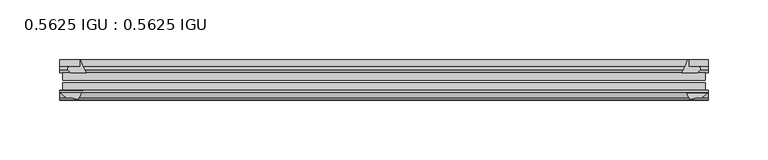
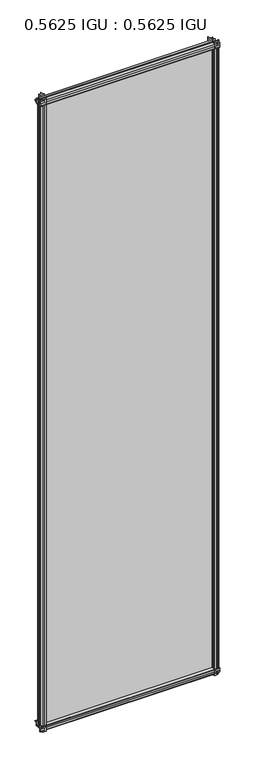
"""IFC4 building model written with IfcOpenShell, lengths in millimetres: plate geometry, 0.5625 IGU : 0.5625 IGU."""

from ifc_helpers import new_model, si_unit, point, frame, frame_2d, origin, place, context, project, spatial, polyline, circle_curve, trimmed, segment, composite_curve, outline, extrude, source, transform, mapped, element, save


def plate_0_5625_igu_0_5625_igu_2c83b73b(model_context):
    return source(origin(), model_context, "Body", "SweptSolid", [
        extrude(outline(composite_curve([segment(trimmed(circle_curve(frame_2d((-37.8345654, 15.3636795)), 15.5602222), [point((-35.093275, 0.0468313))], [point((-27.955875, 3.3415337))], True, "CARTESIAN"), True, "CONTINUOUS"), segment(polyline([(-27.955875, 3.3415337), (-27.955875, -17.9974199)]), True, "CONTINUOUS"), segment(trimmed(circle_curve(frame_2d((-28.971875, -17.9974199)), 1.016), [point((-27.955875, -17.9974199))], [point((-29.7387172, -18.6639099))], False, "CARTESIAN"), True, "CONTINUOUS"), segment(polyline([(-29.7387172, -18.6639099), (-34.305875, -13.4090837), (-34.305875, -7.4052024), (-35.880675, -1.5279687), (-34.305875, -1.5279687), (-34.305875, -0.7405687)]), True, "CONTINUOUS"), segment(trimmed(circle_curve(frame_2d((-35.093275, -0.7405687)), 0.7874), [point((-34.305875, -0.7405687))], [point((-35.093275, 0.0468313))], True, "CARTESIAN"), True, "CONTINUOUS")], self_intersect=False)), frame((-272.2610856, 0.0, 0.0), z_axis=(1.0, 0.0, 0.0), x_axis=(0.0, 1.0, 0.0)), (0.0, 0.0, 1.0), 544.5221713),
        extrude(outline(composite_curve([segment(trimmed(circle_curve(frame_2d((11.4445684, 45.0767023)), 47.0962123), [point((-13.096875, 4.8800511))], [point((-2.198896, 0.0))], True, "CARTESIAN"), True, "CONTINUOUS"), segment(polyline([(-2.198896, 0.0), (-8.321675, 0.0), (-8.321675, -9.0936065)]), True, "CONTINUOUS"), segment(trimmed(circle_curve(frame_2d((-9.9050751, -9.085239)), 1.5834222), [point((-8.321675, -9.0936065))], [point((-11.0877177, -10.1381313))], False, "CARTESIAN"), True, "CONTINUOUS"), segment(polyline([(-11.0877177, -10.1381313), (-13.096875, -7.8711888), (-13.096875, 4.8800511)]), True, "CONTINUOUS")], self_intersect=False)), frame((-272.2610856, 0.0, 0.0), z_axis=(1.0, 0.0, 0.0), x_axis=(0.0, 1.0, 0.0)), (0.0, 0.0, 1.0), 544.5221713),
        extrude(outline(composite_curve([segment(polyline([(-34.305875, 2013.6590837), (-29.7387172, 2018.9139099)]), True, "CONTINUOUS"), segment(trimmed(circle_curve(frame_2d((-28.971875, 2018.2474199)), 1.016), [point((-29.7387172, 2018.9139099))], [point((-27.955875, 2018.2474199))], False, "CARTESIAN"), True, "CONTINUOUS"), segment(polyline([(-27.955875, 2018.2474199), (-27.955875, 1996.9084663)]), True, "CONTINUOUS"), segment(trimmed(circle_curve(frame_2d((-37.8345654, 1984.8863205)), 15.5602222), [point((-27.955875, 1996.9084663))], [point((-35.093275, 2000.2031687))], True, "CARTESIAN"), True, "CONTINUOUS"), segment(trimmed(circle_curve(frame_2d((-35.093275, 2000.9905687)), 0.7874), [point((-35.093275, 2000.2031687))], [point((-34.305875, 2000.9905687))], True, "CARTESIAN"), True, "CONTINUOUS"), segment(polyline([(-34.305875, 2000.9905687), (-34.305875, 2001.7779687), (-35.880675, 2001.7779687), (-34.305875, 2007.6552024), (-34.305875, 2013.6590837)]), True, "CONTINUOUS")], self_intersect=False)), frame((-272.2610856, 0.0, 0.0), z_axis=(1.0, 0.0, 0.0), x_axis=(0.0, 1.0, 0.0)), (0.0, 0.0, 1.0), 544.5221713),
        extrude(outline(composite_curve([segment(trimmed(circle_curve(frame_2d((-9.9050751, 2009.335239)), 1.5834222), [point((-11.0877177, 2010.3881313))], [point((-8.321675, 2009.3436065))], False, "CARTESIAN"), True, "CONTINUOUS"), segment(polyline([(-8.321675, 2009.3436065), (-8.321675, 2000.25), (-2.198896, 2000.25)]), True, "CONTINUOUS"), segment(trimmed(circle_curve(frame_2d((11.4445684, 1955.1732977)), 47.0962123), [point((-2.198896, 2000.25))], [point((-13.096875, 1995.3699489))], True, "CARTESIAN"), True, "CONTINUOUS"), segment(polyline([(-13.096875, 1995.3699489), (-13.096875, 2008.1211888), (-11.0877177, 2010.3881313)]), True, "CONTINUOUS")], self_intersect=False)), frame((-272.2610856, 0.0, 0.0), z_axis=(1.0, 0.0, 0.0), x_axis=(0.0, 1.0, 0.0)), (0.0, 0.0, 1.0), 544.5221713),
        extrude(outline(composite_curve([segment(polyline([(255.6319654, -8.321675), (263.9012471, -8.321675)]), True, "CONTINUOUS"), segment(trimmed(circle_curve(frame_2d((263.8928797, -9.9050751)), 1.5834222), [point((263.9012471, -8.321675))], [point((264.9457719, -11.0877177))], False, "CARTESIAN"), True, "CONTINUOUS"), segment(polyline([(264.9457719, -11.0877177), (262.6788294, -13.096875), (249.9275895, -13.096875)]), True, "CONTINUOUS"), segment(trimmed(circle_curve(frame_2d((209.7309383, 11.4445684)), 47.0962123), [point((249.9275895, -13.096875))], [point((254.7608094, -2.352675))], True, "CARTESIAN"), True, "CONTINUOUS"), segment(polyline([(254.7608094, -2.352675), (255.6319654, -2.5510821), (255.6319654, -8.321675)]), True, "CONTINUOUS")], self_intersect=False)), frame((0.0, 0.0, -19.0134199), z_axis=(0.0, 0.0, 1.0), x_axis=(1.0, 0.0, 0.0)), (0.0, 0.0, 1.0), 2037.9273298),
        extrude(outline(composite_curve([segment(trimmed(circle_curve(frame_2d((271.2450856, -28.971875)), 1.016), [point((271.2450856, -27.955875))], [point((271.9115757, -29.7387172))], False, "CARTESIAN"), True, "CONTINUOUS"), segment(polyline([(271.9115757, -29.7387172), (266.6567494, -34.305875), (262.644643, -34.305875), (256.7674094, -35.880675), (256.7674094, -34.305875), (255.6770537, -34.305875)]), True, "CONTINUOUS"), segment(trimmed(circle_curve(frame_2d((244.0411011, -36.1215237)), 11.7767556), [point((255.6770537, -34.305875))], [point((252.5272165, -27.955875))], True, "CARTESIAN"), True, "CONTINUOUS"), segment(polyline([(252.5272165, -27.955875), (271.2450856, -27.955875)]), True, "CONTINUOUS")], self_intersect=False)), frame((0.0, 0.0, -19.0134199), z_axis=(0.0, 0.0, 1.0), x_axis=(1.0, 0.0, 0.0)), (0.0, 0.0, 1.0), 2037.9273298),
        extrude(outline(composite_curve([segment(trimmed(circle_curve(frame_2d((-209.7309383, 11.4445684)), 47.0962123), [point((-254.7110975, -2.5138875))], [point((-249.9275895, -13.096875))], True, "CARTESIAN"), True, "CONTINUOUS"), segment(polyline([(-249.9275895, -13.096875), (-262.6788294, -13.096875), (-264.9457719, -11.0877177)]), True, "CONTINUOUS"), segment(trimmed(circle_curve(frame_2d((-263.8928797, -9.9050751)), 1.5834222), [point((-264.9457719, -11.0877177))], [point((-263.9012471, -8.321675))], False, "CARTESIAN"), True, "CONTINUOUS"), segment(polyline([(-263.9012471, -8.321675), (-254.7110975, -8.321675), (-254.7110975, -2.5138875)]), True, "CONTINUOUS")], self_intersect=False)), frame((0.0, 0.0, -19.0134199), z_axis=(0.0, 0.0, 1.0), x_axis=(1.0, 0.0, 0.0)), (0.0, 0.0, 1.0), 2038.2768398),
        extrude(outline(composite_curve([segment(trimmed(circle_curve(frame_2d((-244.0411011, -36.1215237)), 11.7767556), [point((-252.5272165, -27.955875))], [point((-255.6770537, -34.305875))], True, "CARTESIAN"), True, "CONTINUOUS"), segment(polyline([(-255.6770537, -34.305875), (-256.7674094, -34.305875), (-256.7674094, -35.880675), (-262.644643, -34.305875), (-266.6567494, -34.305875), (-271.9115757, -29.7387172)]), True, "CONTINUOUS"), segment(trimmed(circle_curve(frame_2d((-271.2450856, -28.971875)), 1.016), [point((-271.9115757, -29.7387172))], [point((-271.2450856, -27.955875))], False, "CARTESIAN"), True, "CONTINUOUS"), segment(polyline([(-271.2450856, -27.955875), (-252.5272165, -27.955875)]), True, "CONTINUOUS")], self_intersect=False)), frame((0.0, 0.0, -19.0134199), z_axis=(0.0, 0.0, 1.0), x_axis=(1.0, 0.0, 0.0)), (0.0, 0.0, 1.0), 2038.2768398),
        extrude(outline(polyline([(-269.4801094, -13.096875), (269.4801094, -13.096875), (269.4801094, -19.396075), (-269.4801094, -19.396075), (-269.4801094, -13.096875)])), frame((0.0, 0.0, -13.5929687), z_axis=(0.0, 0.0, 1.0), x_axis=(1.0, 0.0, 0.0)), (0.0, 0.0, 1.0), 2027.4359375),
        extrude(outline(polyline([(269.4801094, -21.656675), (269.4801094, -27.955875), (-269.4801094, -27.955875), (-269.4801094, -21.656675), (269.4801094, -21.656675)])), frame((0.0, 0.0, -13.5929687), z_axis=(0.0, 0.0, 1.0), x_axis=(1.0, 0.0, 0.0)), (0.0, 0.0, 1.0), 2027.4359375),
    ])


if __name__ == "__main__":
    model = new_model("IFC4")
    model_context = context("Model", 3, world=origin())
    ifc_project = project(units=[si_unit("LENGTHUNIT", "METRE", prefix="MILLI")], contexts=[model_context])
    site = spatial("IfcSite", under=ifc_project)
    building = spatial("IfcBuilding", under=site)
    placement = place(None, origin())
    plate_0_5625_igu_0_5625_igu_shape = plate_0_5625_igu_0_5625_igu_2c83b73b(model_context)
    element("IfcPlate", 1, ObjectType="0.5625 IGU : 0.5625 IGU", at=placement, inside=building, context=model_context, shape_type="MappedRepresentation", body=[
        mapped(plate_0_5625_igu_0_5625_igu_shape, transform((0.0, 0.0, 0.0), x_axis=(1.0, 0.0, 0.0), y_axis=(0.0, 1.0, 0.0), z_axis=(0.0, 0.0, 1.0))),
    ])
    save(model, "model.ifc")
